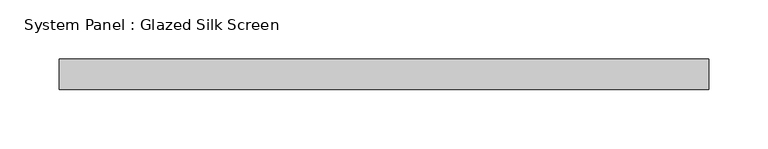
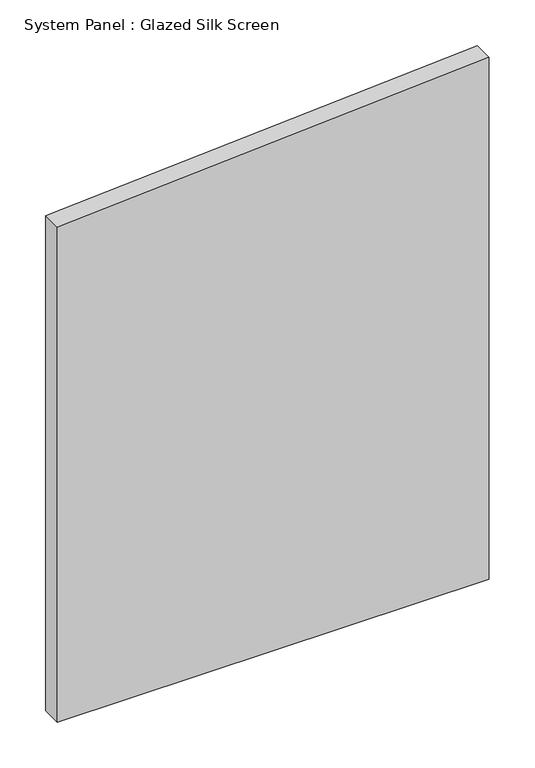
"""IFC4 building model written with IfcOpenShell, lengths in millimetres: plate geometry, System Panel : Glazed Silk Screen."""

from ifc_helpers import new_model, si_unit, frame, origin, place, context, project, spatial, polyline, outline, extrude, source, transform, mapped, element, save


def system_panel_glazed_silk_screen_54fdf85c(model_context):
    return source(origin(), model_context, "Body", "SweptSolid", [
        extrude(outline(polyline([(0.0, -273.05), (0.0, 273.05), (697.615672, 273.05), (661.5443155, -273.05), (0.0, -273.05)])), frame((0.0, 19.05, 0.0), z_axis=(0.0, 1.0, 0.0), x_axis=(0.0, 0.0, 1.0)), (0.0, 0.0, 1.0), 25.4),
    ])


if __name__ == "__main__":
    model = new_model("IFC4")
    model_context = context("Model", 3, world=origin())
    ifc_project = project(units=[si_unit("LENGTHUNIT", "METRE", prefix="MILLI")], contexts=[model_context])
    site = spatial("IfcSite", under=ifc_project)
    building = spatial("IfcBuilding", under=site)
    placement = place(None, origin())
    system_panel_glazed_silk_screen_shape = system_panel_glazed_silk_screen_54fdf85c(model_context)
    element("IfcPlate", 1, ObjectType="System Panel : Glazed Silk Screen", at=placement, inside=building, context=model_context, shape_type="MappedRepresentation", body=[
        mapped(system_panel_glazed_silk_screen_shape, transform((0.0, 0.0, 0.0), x_axis=(1.0, 0.0, 0.0), y_axis=(0.0, 1.0, 0.0), z_axis=(0.0, 0.0, 1.0))),
    ])
    save(model, "model.ifc")
